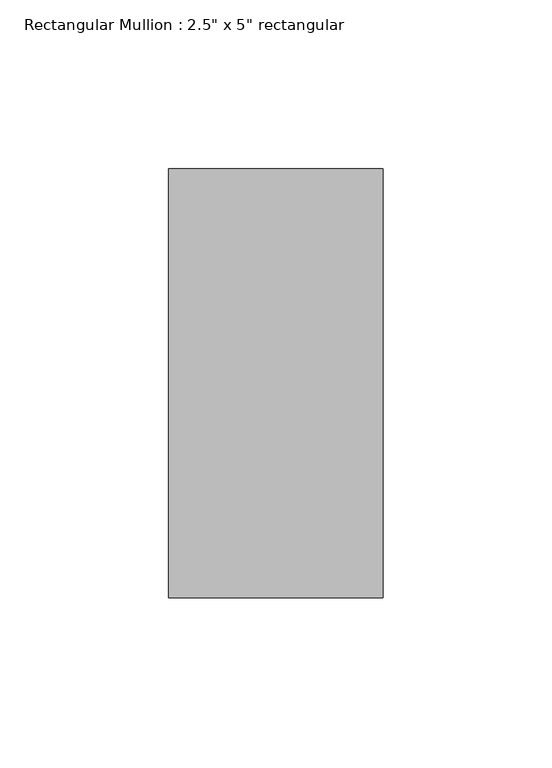
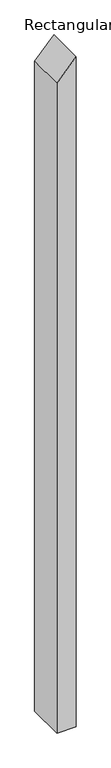
"""IFC4 building model written with IfcOpenShell, lengths in millimetres: member geometry."""

import ifcopenshell
import ifcopenshell.guid

model = None  # the IFC model being written
_history = None  # IfcOwnerHistory: only IFC2X3 demands one
_inside = {}  # id of a spatial element -> (the spatial element, [elements in it])
_under = {}  # id of a project, library or spatial element -> (it, [spatial elements below it])
_declared = {}  # id of a project -> (the project, [libraries it declares])
_typed = {}  # id of a type object -> (the type object, [elements of that type])
_made_of = {}  # id of a material, layer set ... -> (it, [elements and type objects made of it])


def new_model(schema):
    """Start an empty IFC model of exactly this schema.

    Asked for "IFC4X3", IfcOpenShell would pick the latest addendum, in which some entities
    have other attributes; the version numbers below select the first issue.
    IFC2X3 requires an IfcOwnerHistory on every rooted entity: one is made here for all.
    """
    global model, _history
    if schema == "IFC4X3":
        model = ifcopenshell.file(schema_version=(4, 3, 0, 0))
    else:
        model = ifcopenshell.file(schema=schema)
    _inside.clear()
    _under.clear()
    _declared.clear()
    _typed.clear()
    _made_of.clear()
    _history = None
    if model.schema == "IFC2X3":
        org = make("IfcOrganization", Name="unknown")
        user = make(
            "IfcPersonAndOrganization",
            ThePerson=make("IfcPerson", FamilyName="unknown"),
            TheOrganization=org,
        )
        app = make(
            "IfcApplication",
            ApplicationDeveloper=org,
            Version="unknown",
            ApplicationFullName="unknown",
            ApplicationIdentifier="unknown",
        )
        _history = make(
            "IfcOwnerHistory",
            OwningUser=user,
            OwningApplication=app,
            ChangeAction="ADDED",
            CreationDate=0,
        )
    return model


def make(cls, **values):
    """One entity of the class cls with the attributes given. An attribute that is None is left unset."""
    return model.create_entity(
        cls, **{name: value for name, value in values.items() if value is not None}
    )


def rooted(cls, **values):
    """An entity with a GlobalId (a new one), such as an element, a storey or a relation."""
    return make(cls, GlobalId=ifcopenshell.guid.new(), OwnerHistory=_history, **values)


def si_unit(unit_type, name, prefix=None):
    """IfcSIUnit, for example si_unit("LENGTHUNIT", "METRE", prefix="MILLI")."""
    return make("IfcSIUnit", UnitType=unit_type, Prefix=prefix, Name=name)


def assignment(units):
    """IfcUnitAssignment: the units of a project."""
    return None if units is None else make("IfcUnitAssignment", Units=units)


def point(xyz):
    """IfcCartesianPoint."""
    return None if xyz is None else make("IfcCartesianPoint", Coordinates=xyz)


def direction(xyz):
    """IfcDirection."""
    return None if xyz is None else make("IfcDirection", DirectionRatios=xyz)


def frame(location, z_axis=None, x_axis=None):
    """IfcAxis2Placement3D, a coordinate frame: its origin and axes. An axis left out is left unset."""
    return make(
        "IfcAxis2Placement3D",
        Location=point(location),
        Axis=direction(z_axis),
        RefDirection=direction(x_axis),
    )


def origin():
    """The frame at (0, 0, 0) with its axes left unset."""
    return frame((0.0, 0.0, 0.0))


def place(relative_to, where):
    """IfcLocalPlacement: puts the frame where relative to a parent placement (None: the world)."""
    return make(
        "IfcLocalPlacement", PlacementRelTo=relative_to, RelativePlacement=where
    )


def context(
    kind, dimensions, precision=None, world=None, true_north=None, identifier=None
):
    """IfcGeometricRepresentationContext, for example the 3D "Model" context."""
    return make(
        "IfcGeometricRepresentationContext",
        ContextIdentifier=identifier,
        ContextType=kind,
        CoordinateSpaceDimension=dimensions,
        Precision=precision,
        WorldCoordinateSystem=world,
        TrueNorth=true_north,
    )


def project(units=None, contexts=None):
    """IfcProject with its units and contexts."""
    return rooted(
        "IfcProject",
        Name="project",
        RepresentationContexts=contexts,
        UnitsInContext=assignment(units),
    )


def spatial(cls, under=None, at=None, **own):
    """A site, building, storey or space (cls), placed at a placement, below another one or the project."""
    s = rooted(cls, ObjectPlacement=at, **own)
    if under is not None:
        _under.setdefault(under.id(), (under, []))[1].append(s)
    return s


def polyline(points):
    """IfcPolyline through the points."""
    return make("IfcPolyline", Points=[point(p) for p in points])


def outline(outer, holes=None, kind="AREA"):
    """IfcArbitraryClosedProfileDef: a profile drawn as a closed curve; with holes, ...WithVoids."""
    if holes is None:
        return make("IfcArbitraryClosedProfileDef", ProfileType=kind, OuterCurve=outer)
    return make(
        "IfcArbitraryProfileDefWithVoids",
        ProfileType=kind,
        OuterCurve=outer,
        InnerCurves=holes,
    )


def extrude(swept, where, along, depth):
    """IfcExtrudedAreaSolid: the profile swept, set in the frame where, extruded along a direction by depth."""
    return make(
        "IfcExtrudedAreaSolid",
        SweptArea=swept,
        Position=where,
        ExtrudedDirection=direction(along),
        Depth=depth,
    )


def shape(context_of_items, identifier, shape_type, items):
    """IfcShapeRepresentation: the items that make up one representation, for example the "Body"."""
    return make(
        "IfcShapeRepresentation",
        ContextOfItems=context_of_items,
        RepresentationIdentifier=identifier,
        RepresentationType=shape_type,
        Items=items,
    )


def source(mapping_origin, context_of_items, identifier, shape_type, items):
    """IfcRepresentationMap: a shape defined once, which mapped items show again and again."""
    return make(
        "IfcRepresentationMap",
        MappingOrigin=mapping_origin,
        MappedRepresentation=shape(context_of_items, identifier, shape_type, items),
    )


def transform(
    local_origin,
    x_axis=None,
    y_axis=None,
    z_axis=None,
    scale=None,
    scale2=None,
    scale3=None,
    uniform=True,
):
    """IfcCartesianTransformationOperator3D, or its non-uniform kind. x_axis, y_axis, z_axis: its Axis1, 2, 3."""
    if uniform:
        return make(
            "IfcCartesianTransformationOperator3D",
            Axis1=direction(x_axis),
            Axis2=direction(y_axis),
            LocalOrigin=point(local_origin),
            Scale=scale,
            Axis3=direction(z_axis),
        )
    return make(
        "IfcCartesianTransformationOperator3DnonUniform",
        Axis1=direction(x_axis),
        Axis2=direction(y_axis),
        LocalOrigin=point(local_origin),
        Scale=scale,
        Axis3=direction(z_axis),
        Scale2=scale2,
        Scale3=scale3,
    )


def mapped(mapping_source, mapping_target):
    """IfcMappedItem: shows the shape of a source again, moved by a transform."""
    return make(
        "IfcMappedItem", MappingSource=mapping_source, MappingTarget=mapping_target
    )


def made_of(thing, what):
    """Note that an element or type object is made of a material, layer set ...; save() writes the relation."""
    if what is not None:
        _made_of.setdefault(what.id(), (what, []))[1].append(thing)
    return thing


def element(
    cls,
    number,
    at=None,
    inside=None,
    cuts=None,
    type_object=None,
    material=None,
    context=None,
    identifier="Body",
    shape_type=None,
    held_by="IfcProductDefinitionShape",
    body=None,
    shapes=None,
    **own,
):
    """One element of the class cls, such as IfcWall. Its Tag is "e" and its number.

    at: its placement. inside: the storey or other place that contains it. cuts: it is an
    opening in that element (IfcRelVoidsElement). A single representation is given by context,
    identifier, shape_type and body (its items); several are given by shapes. held_by: the class
    of the entity that holds the representations. save() writes the other relations.
    """
    e = rooted(cls, Tag="e%d" % number, ObjectPlacement=at, **own)
    if body is not None:
        shapes = [shape(context, identifier, shape_type, body)]
    if shapes is not None:
        e.Representation = make(held_by, Representations=shapes)
    if inside is not None:
        _inside.setdefault(inside.id(), (inside, []))[1].append(e)
    if cuts is not None:
        rooted(
            "IfcRelVoidsElement", RelatingBuildingElement=cuts, RelatedOpeningElement=e
        )
    if type_object is not None:
        _typed.setdefault(type_object.id(), (type_object, []))[1].append(e)
    return made_of(e, material)


def aggregate(whole, parts):
    """IfcRelAggregates: a whole, such as a stair, and the parts it consists of."""
    return rooted("IfcRelAggregates", RelatingObject=whole, RelatedObjects=parts)


def save(model, path):
    """Write the relations noted so far, then the file.

    IfcRelAggregates (storeys below a building ...), IfcRelContainedInSpatialStructure (elements
    in a storey), IfcRelDefinesByType, IfcRelAssociatesMaterial and IfcRelDeclares: one each for
    every whole, place, type object, material and project.
    """
    for whole, parts in _under.values():
        aggregate(whole, parts)
    for where, things in _inside.values():
        rooted(
            "IfcRelContainedInSpatialStructure",
            RelatedElements=things,
            RelatingStructure=where,
        )
    for kind, things in _typed.values():
        rooted("IfcRelDefinesByType", RelatedObjects=things, RelatingType=kind)
    for what, things in _made_of.values():
        rooted("IfcRelAssociatesMaterial", RelatedObjects=things, RelatingMaterial=what)
    for by, libraries in _declared.values():
        rooted("IfcRelDeclares", RelatingContext=by, RelatedDefinitions=libraries)
    model.write(path)


def member_0bca2a02(model_context):
    return source(origin(), model_context, "Body", "SweptSolid", [
        extrude(outline(polyline([(0.0, 0.0), (-70.125326, -63.5), (-2345.8033782, -63.5), (-2345.8033782, 0.0), (0.0, 0.0)])), frame((0.0, -63.5, 0.0), z_axis=(0.0, 1.0, 0.0), x_axis=(0.0, 0.0, 1.0)), (0.0, 0.0, 1.0), 127.0),
    ])


if __name__ == "__main__":
    model = new_model("IFC4")
    model_context = context("Model", 3, world=origin())
    ifc_project = project(units=[si_unit("LENGTHUNIT", "METRE", prefix="MILLI")], contexts=[model_context])
    site = spatial("IfcSite", under=ifc_project)
    building = spatial("IfcBuilding", under=site)
    placement = place(None, origin())
    member_shape = member_0bca2a02(model_context)
    element("IfcMember", 1, ObjectType="Rectangular Mullion : 2.5\" x 5\" rectangular", at=placement, inside=building, context=model_context, shape_type="MappedRepresentation", body=[
        mapped(member_shape, transform((0.0, 0.0, 0.0), x_axis=(1.0, 0.0, 0.0), y_axis=(0.0, 1.0, 0.0), z_axis=(0.0, 0.0, 1.0))),
    ])
    save(model, "model.ifc")
